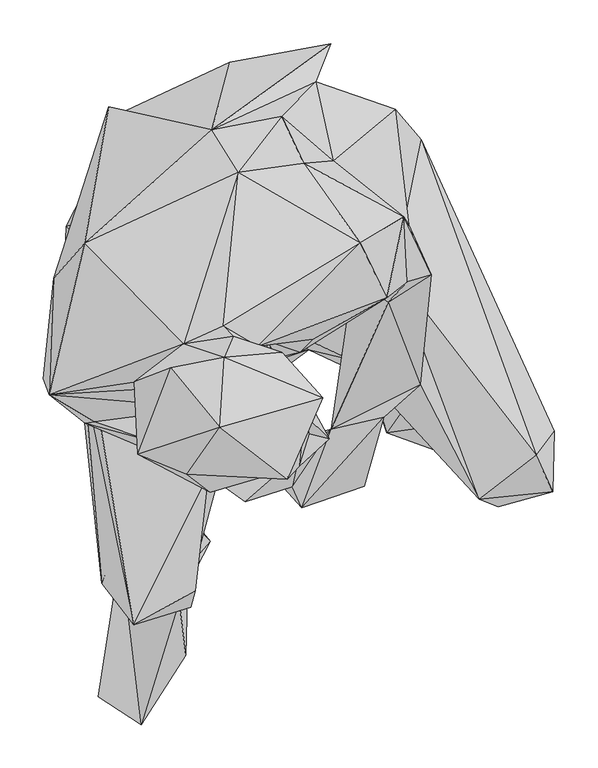
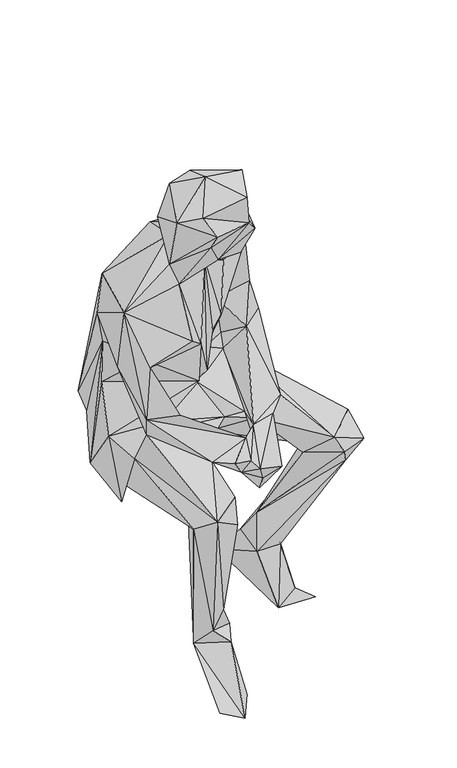
"""IFC4 building model written with IfcOpenShell, lengths in millimetres: geographic element geometry."""

from ifc_helpers import new_model, si_unit, origin, place, context, project, spatial, faceted_brep, source, transform, mapped, element, save


def geographic_element_dfb8297f(model_context):
    return source(origin(), model_context, "Body", "Brep", [
        faceted_brep([(-68.8282624, 3.4380099, 791.5830016), (-117.085509, 77.7210444, 652.4171829), (-96.0480943, 62.9110783, 614.8973703), (-161.2701863, 14.3205374, 596.6373682), (-72.6766288, 4.4839256, 686.9363785), (-37.302658, 30.4216333, 688.2215738), (-40.4444113, 77.2055909, 631.0575008), (-32.6435789, 50.29203, 989.00491), (69.2556351, 138.6183649, 648.7830281), (-9.6054096, 84.5600292, 712.4207616), (-21.2746263, 31.2543623, 796.7445254), (15.6066632, 40.5124687, 531.5853953), (63.6827499, 28.982373, 538.1751657), (41.5453725, -51.3129234, 556.2769771), (106.8775728, 94.8750675, 723.5374451), (77.6830092, 164.4019336, 675.8446693), (51.5221059, -50.1348935, 487.6058996), (81.8656757, 9.209062, 525.6381631), (83.6082026, -86.4526927, 471.2355435), (82.4702084, -70.7018971, 424.5206714), (-4.0535489, -63.0131662, 509.6211433), (101.7690971, -37.5578813, 559.2876673), (79.2774111, -116.9764102, 464.6317959), (33.5363597, -92.3458412, 404.6242237), (7.611664, -141.6990608, 497.930944), (28.993383, -116.4899841, 449.9349296), (143.7038034, 0.2942576, 573.8834143), (-23.2343413, -107.5711772, 477.3198962), (-3.3969739, -117.5809428, 509.3849897), (-64.8197532, -18.8505035, 511.8991733), (-100.1106501, -104.1171551, 531.5253139), (-57.4512966, -134.864077, 531.1650038), (4.6220468, -80.5274993, 549.4690537), (156.8002701, 126.5758127, 738.0841374), (128.6786497, 118.5868233, 832.075417), (49.7165248, 138.9946938, 797.7414131), (130.7564825, 184.6196353, 650.1522064), (124.9413863, 193.8977689, 901.55828), (105.2371338, 100.2958044, 967.4990177), (20.1106071, 52.7431779, 967.4470425), (4.943328, 37.7080105, 826.6957402), (-43.5060859, 44.5850343, 1080.3418159), (74.9666318, 163.8234258, 1045.1619625), (-130.3521246, -2.0027536, 985.3406549), (-43.5010865, -32.2402269, 1043.2673693), (-92.5400183, -85.4257867, 1125.9537935), (-107.9495028, -26.5362319, 830.0766945), (-283.770442, -11.2328343, 963.1562233), (-151.1473209, 7.833859, 1043.0781841), (-190.9391582, 55.6577258, 756.8166256), (-231.9530696, -42.5122194, 807.8472614), (-119.2864329, -4.6450668, 581.4961195), (-241.776675, -44.0986082, 664.9832129), (-164.8193002, -64.9588704, 662.9053354), (-228.9664596, -20.9063031, 603.0719876), (-290.2531326, 6.7649223, 801.8319607), (-116.0215735, -207.9860866, 409.8618031), (-85.9882832, 36.8382521, 456.1403394), (-8.2802493, 71.6357157, 481.2373221), (98.9075974, 117.2436476, 439.135462), (-263.6988759, 182.7359945, 413.2778049), (192.3523992, -12.4819279, 428.3870459), (211.7313743, -131.8674535, 509.6302032), (162.9556566, -69.4137663, 446.1365938), (101.2386307, 35.5801508, 233.6976081), (266.7124867, -14.1163589, 458.425343), (233.7376326, -140.5460536, 466.7266309), (85.8061239, 10.8144684, 143.6507702), (278.4537673, -67.753315, 382.6549947), (82.8165039, 81.8556622, 165.7461077), (296.8098521, -123.2689247, 472.2724855), (277.2727311, -81.0869858, 535.3046656), (298.2160747, -53.508848, 450.7066011), (114.2109931, 130.0798804, 622.8933334), (144.7717547, 282.451272, 544.2755222), (145.7415968, 78.9921582, 194.4982857), (192.9469258, 142.3416138, 517.5831318), (115.1518151, 317.6931441, 604.7754884), (65.2631372, 329.3843567, 490.3753102), (156.3298702, 25.0359178, 137.3622566), (122.2430244, 83.5751668, 123.2949421), (164.852336, 32.81473, 2.4571512), (154.0919095, -48.1151268, 51.2258485), (139.0667558, -7.391471, 157.4578583), (105.4463238, -55.3054214, 15.8979185), (188.1317049, -85.102506, 36.6871171), (44.4248952, 124.4969964, 95.4275429), (2.2459663, 355.7404578, 495.3336716), (23.6477032, 349.1156399, 605.5902243), (40.9678705, 393.2592869, 493.6762154), (-96.4794606, 293.7822044, 868.9147234), (-15.8809032, 309.677124, 818.0051446), (43.5261093, 258.387208, 777.6218057), (9.509325, 255.0883293, 961.2585902), (-65.6604841, 244.6121573, 989.9086356), (-128.7336946, 47.4565476, 1094.9245691), (-242.9006696, 163.0227268, 955.962956), (-83.2048431, 67.8273812, 1105.604887), (-71.7878491, 55.8188707, 1166.5372849), (-15.7187618, 37.5668891, 1216.0246372), (11.8443696, -40.5364893, 1049.3787527), (-82.0718482, 31.9579802, 1272.2427845), (10.569253, -34.6663482, 1217.9362774), (39.1052365, -62.2605085, 1121.9832897), (31.3514471, -14.705875, 1261.4043951), (4.5589916, -94.0213129, 1168.3628559), (16.2602346, -56.6185676, 1163.5216475), (-9.2100631, -108.5910723, 1254.7024488), (-87.1172696, -48.8097332, 1303.7053347), (-124.990426, -102.8440371, 1232.3659658), (-97.8887007, -123.7343326, 1181.3943386), (-181.3667864, -79.9570009, 1223.094821), (-143.2784349, 19.5391048, 1263.749361), (-185.6685579, 3.7362708, 1192.4510002), (-278.5438597, 122.7895021, 880.8712363), (-215.058282, 320.6927478, 516.2680149), (-75.394012, 371.6944456, 471.7490077), (-195.3600347, 315.9295917, 457.3233724), (-223.3525515, 194.1079497, 738.4154797), (-167.6497757, -78.6578655, 428.8264513), (-254.2746365, 64.5855442, 429.726243), (-261.5849972, 39.3684655, 387.6373768), (-267.3881054, 89.6304697, 546.2071896), (-243.0738062, 163.3910537, 647.8121877), (-132.5550526, -163.3650362, 421.7392504), (-201.53144, -169.4443375, 439.0183389), (-123.3730093, -155.3049684, 197.5679696), (-145.0850219, -234.4602793, 207.5627148), (-120.2973202, -256.0351491, 453.0366361), (-134.387657, -136.4314407, 98.1639475), (-97.9347378, -180.1767349, 119.4025353), (-183.8279366, -161.0950381, 95.1072723), (-223.2454568, -228.7642807, 459.0719342), (-133.8301599, -248.9689589, 120.5755621), (-121.2091148, -117.0524731, 3.0316541), (-171.8054265, -230.4357439, 154.3531269), (-200.9789497, -192.1552271, 104.9909145), (-177.597478, -391.2905753, 4.9783583), (-126.2505352, -311.6018176, 7.5466069), (-227.041766, -359.2635393, 17.3571967), (-185.9998405, -276.4710486, 495.0404167), (-115.5611649, -236.9454354, 518.1596279), (-244.0326512, 8.6525753, 523.5163569)], [[[0, 1, 2]], [[2, 1, 3]], [[1, 0, 4]], [[4, 3, 1]], [[2, 5, 0]], [[5, 2, 6]], [[2, 3, 6]], [[7, 0, 5]], [[8, 9, 5]], [[6, 8, 5]], [[5, 10, 7]], [[5, 9, 10]], [[3, 11, 6]], [[8, 6, 12]], [[12, 6, 11]], [[13, 14, 8]], [[13, 8, 12]], [[8, 15, 9]], [[8, 14, 15]], [[12, 16, 13]], [[12, 11, 17]], [[17, 16, 12]], [[17, 18, 16]], [[16, 19, 20]], [[16, 18, 19]], [[13, 16, 20]], [[17, 21, 18]], [[19, 18, 22]], [[18, 21, 22]], [[20, 19, 23]], [[19, 22, 23]], [[24, 22, 21]], [[24, 25, 22]], [[22, 25, 23]], [[21, 13, 24]], [[26, 13, 21]], [[21, 17, 26]], [[24, 27, 25]], [[24, 13, 28]], [[24, 28, 27]], [[25, 27, 23]], [[20, 23, 27]], [[20, 27, 29]], [[29, 27, 30]], [[31, 27, 28]], [[27, 31, 30]], [[28, 32, 31]], [[13, 32, 28]], [[13, 26, 14]], [[20, 32, 13]], [[26, 33, 14]], [[33, 34, 14]], [[34, 35, 14]], [[35, 15, 14]], [[33, 26, 36]], [[37, 33, 36]], [[34, 33, 37]], [[38, 35, 34]], [[38, 34, 37]], [[35, 38, 9]], [[35, 9, 15]], [[39, 40, 38]], [[38, 41, 39]], [[42, 41, 38]], [[37, 42, 38]], [[38, 40, 9]], [[10, 9, 40]], [[40, 7, 10]], [[7, 40, 39]], [[39, 41, 7]], [[43, 7, 44]], [[44, 7, 41]], [[7, 43, 0]], [[45, 43, 44]], [[46, 43, 47]], [[47, 43, 48]], [[45, 48, 43]], [[0, 43, 46]], [[49, 4, 0]], [[0, 50, 49]], [[46, 50, 0]], [[50, 46, 47]], [[50, 51, 49]], [[47, 52, 50]], [[52, 53, 50]], [[53, 51, 50]], [[53, 52, 32]], [[30, 32, 52]], [[54, 30, 52]], [[55, 52, 47]], [[55, 54, 52]], [[51, 53, 32]], [[32, 20, 51]], [[32, 30, 31]], [[51, 20, 29]], [[11, 51, 29]], [[29, 30, 56]], [[29, 56, 57]], [[58, 29, 57]], [[11, 29, 58]], [[3, 51, 11]], [[11, 58, 17]], [[59, 58, 60]], [[58, 57, 60]], [[17, 58, 61]], [[59, 61, 58]], [[62, 17, 63]], [[17, 62, 26]], [[17, 61, 63]], [[64, 61, 65]], [[61, 64, 63]], [[65, 61, 59]], [[63, 64, 66]], [[62, 63, 66]], [[64, 67, 68]], [[66, 64, 68]], [[69, 64, 65]], [[69, 67, 64]], [[66, 70, 62]], [[66, 68, 70]], [[71, 62, 70]], [[70, 72, 71]], [[72, 70, 68]], [[73, 62, 71]], [[73, 71, 74]], [[74, 71, 72]], [[68, 75, 72]], [[76, 72, 65]], [[75, 65, 72]], [[76, 74, 72]], [[74, 77, 73]], [[74, 78, 77]], [[74, 76, 78]], [[76, 65, 78]], [[78, 65, 59]], [[65, 75, 69]], [[68, 79, 75]], [[80, 69, 75]], [[80, 75, 79]], [[80, 79, 81]], [[79, 82, 81]], [[79, 68, 83]], [[82, 79, 83]], [[68, 67, 83]], [[84, 83, 67]], [[84, 82, 83]], [[82, 84, 85]], [[81, 82, 85]], [[80, 81, 86]], [[81, 84, 86]], [[84, 81, 85]], [[86, 69, 80]], [[86, 67, 69]], [[84, 67, 86]], [[78, 59, 87]], [[88, 78, 87]], [[77, 78, 88]], [[89, 90, 88]], [[91, 92, 88]], [[91, 88, 90]], [[77, 88, 92]], [[87, 89, 88]], [[92, 36, 77]], [[73, 77, 36]], [[92, 91, 93]], [[37, 36, 92]], [[37, 92, 93]], [[91, 90, 94]], [[91, 94, 93]], [[93, 94, 42]], [[42, 37, 93]], [[95, 94, 96]], [[94, 97, 42]], [[95, 97, 94]], [[96, 94, 90]], [[97, 41, 42]], [[95, 98, 97]], [[41, 97, 98]], [[99, 100, 41]], [[41, 98, 99]], [[41, 100, 44]], [[101, 98, 95]], [[99, 98, 101]], [[102, 103, 99]], [[104, 99, 101]], [[99, 103, 100]], [[99, 104, 102]], [[100, 103, 44]], [[45, 44, 105]], [[44, 103, 105]], [[103, 102, 106]], [[106, 105, 103]], [[105, 102, 107]], [[102, 104, 107]], [[102, 105, 106]], [[104, 101, 108]], [[104, 108, 107]], [[109, 107, 108]], [[109, 105, 107]], [[109, 110, 105]], [[105, 110, 45]], [[48, 45, 110]], [[110, 111, 48]], [[111, 110, 109]], [[111, 109, 108]], [[111, 108, 112]], [[108, 101, 112]], [[111, 113, 48]], [[111, 112, 113]], [[95, 48, 113]], [[48, 95, 47]], [[113, 101, 95]], [[101, 113, 112]], [[47, 95, 96]], [[47, 114, 55]], [[96, 114, 47]], [[115, 96, 90]], [[96, 115, 114]], [[89, 116, 90]], [[115, 90, 117]], [[117, 90, 116]], [[115, 118, 114]], [[115, 117, 118]], [[60, 118, 117]], [[87, 60, 117]], [[87, 117, 116]], [[116, 89, 87]], [[59, 60, 87]], [[60, 57, 119]], [[60, 119, 120]], [[121, 122, 60]], [[60, 123, 118]], [[120, 121, 60]], [[122, 123, 60]], [[57, 124, 119]], [[57, 56, 124]], [[125, 124, 126]], [[119, 124, 125]], [[126, 124, 56]], [[56, 127, 126]], [[56, 128, 127]], [[30, 128, 56]], [[126, 129, 125]], [[130, 126, 127]], [[126, 130, 129]], [[129, 131, 125]], [[125, 131, 132]], [[119, 125, 132]], [[129, 133, 134]], [[131, 129, 134]], [[130, 133, 129]], [[130, 135, 133]], [[130, 127, 135]], [[136, 137, 133]], [[138, 134, 133]], [[135, 136, 133]], [[138, 133, 137]], [[134, 139, 131]], [[134, 137, 139]], [[134, 138, 137]], [[136, 139, 137]], [[135, 132, 136]], [[131, 136, 132]], [[136, 131, 139]], [[140, 132, 135]], [[140, 135, 127]], [[128, 140, 127]], [[30, 141, 128]], [[128, 141, 140]], [[30, 140, 141]], [[30, 54, 140]], [[140, 142, 132]], [[140, 54, 142]], [[114, 3, 54]], [[114, 54, 55]], [[54, 3, 142]], [[3, 122, 142]], [[49, 3, 114]], [[122, 3, 4]], [[49, 51, 3]], [[49, 114, 118]], [[4, 49, 123]], [[49, 118, 123]], [[4, 123, 122]], [[121, 142, 122]], [[120, 142, 121]], [[132, 142, 120]], [[119, 132, 120]], [[36, 26, 73]], [[73, 26, 62]]]),
    ])


if __name__ == "__main__":
    model = new_model("IFC4")
    model_context = context("Model", 3, world=origin())
    ifc_project = project(units=[si_unit("LENGTHUNIT", "METRE", prefix="MILLI")], contexts=[model_context])
    site = spatial("IfcSite", under=ifc_project)
    building = spatial("IfcBuilding", under=site)
    placement = place(None, origin())
    geographic_element_shape = geographic_element_dfb8297f(model_context)
    element("IfcGeographicElement", 1, at=placement, inside=building, context=model_context, shape_type="MappedRepresentation", body=[
        mapped(geographic_element_shape, transform((0.0, 0.0, 0.0), x_axis=(1.0, 0.0, 0.0), y_axis=(0.0, 1.0, 0.0), z_axis=(0.0, 0.0, 1.0))),
    ])
    save(model, "model.ifc")
